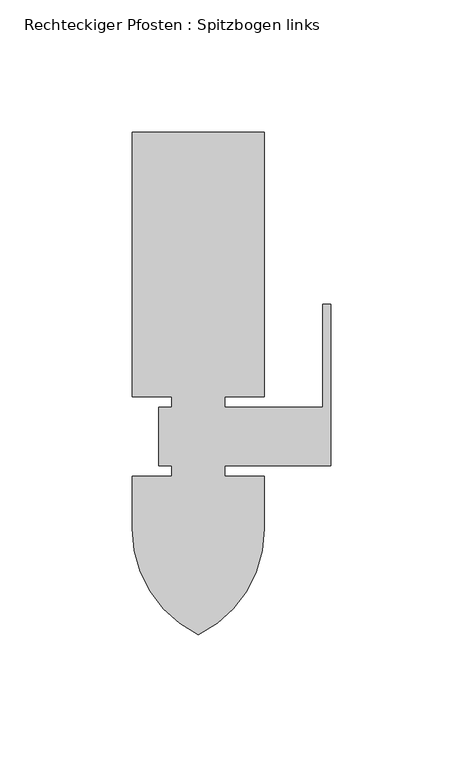
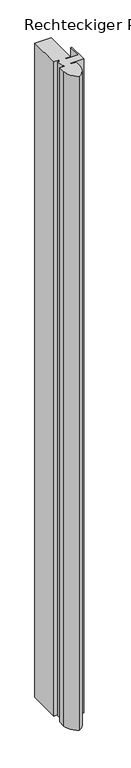
"""IFC4 building model written with IfcOpenShell, lengths in millimetres: member geometry, Rechteckiger Pfosten : Spitzbogen links."""

from ifc_helpers import new_model, si_unit, point, frame, frame_2d, origin, place, context, project, spatial, polyline, circle_curve, trimmed, segment, composite_curve, outline, extrude, source, transform, mapped, element, save


def rechteckiger_pfosten_spitzbogen_links_fb43e5ab(model_context):
    return source(origin(), model_context, "Body", "SweptSolid", [
        extrude(outline(composite_curve([segment(polyline([(-75.0, 115.0), (-25.0, 115.0), (-25.0, 15.0), (-40.0, 15.0), (-40.0, 11.0), (-2.9610176, 11.0), (-2.9610176, 50.0), (0.0, 50.0), (0.0, -11.0), (-40.0, -11.0), (-40.0, -15.0), (-25.0, -15.0), (-25.0, -35.0)]), True, "CONTINUOUS"), segment(trimmed(circle_curve(frame_2d((-69.5, -35.0)), 44.5), [point((-25.0, -35.0))], [point((-50.0, -75.0))], False, "CARTESIAN"), True, "CONTINUOUS"), segment(trimmed(circle_curve(frame_2d((-30.5, -35.0)), 44.5), [point((-50.0, -75.0))], [point((-75.0, -35.0))], False, "CARTESIAN"), True, "CONTINUOUS"), segment(polyline([(-75.0, -35.0), (-75.0, -15.0), (-60.0, -15.0), (-60.0, -11.0), (-65.0, -11.0), (-65.0, 11.0), (-60.0, 11.0), (-60.0, 15.0), (-75.0, 15.0), (-75.0, 115.0)]), True, "CONTINUOUS")], self_intersect=False)), frame((0.0, 0.0, -2100.0), z_axis=(0.0, 0.0, 1.0), x_axis=(1.0, 0.0, 0.0)), (0.0, 0.0, 1.0), 2100.0),
    ])


if __name__ == "__main__":
    model = new_model("IFC4")
    model_context = context("Model", 3, world=origin())
    ifc_project = project(units=[si_unit("LENGTHUNIT", "METRE", prefix="MILLI")], contexts=[model_context])
    site = spatial("IfcSite", under=ifc_project)
    building = spatial("IfcBuilding", under=site)
    placement = place(None, origin())
    rechteckiger_pfosten_spitzbogen_links_shape = rechteckiger_pfosten_spitzbogen_links_fb43e5ab(model_context)
    element("IfcMember", 1, ObjectType="Rechteckiger Pfosten : Spitzbogen links", at=placement, inside=building, context=model_context, shape_type="MappedRepresentation", body=[
        mapped(rechteckiger_pfosten_spitzbogen_links_shape, transform((0.0, 0.0, 0.0), x_axis=(1.0, 0.0, 0.0), y_axis=(0.0, 1.0, 0.0), z_axis=(0.0, 0.0, 1.0))),
    ])
    save(model, "model.ifc")
